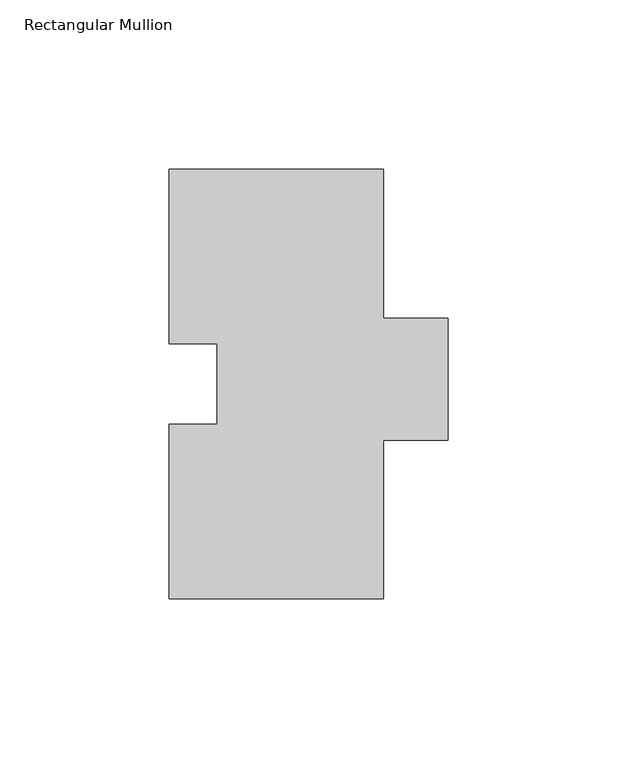
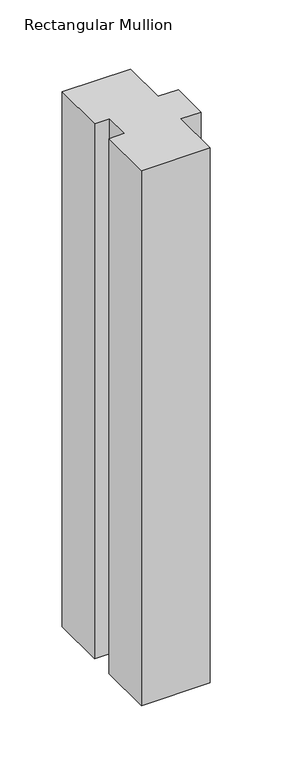
"""IFC4 building model written with IfcOpenShell, lengths in millimetres: member geometry, Rectangular Mullion."""

from ifc_helpers import new_model, si_unit, frame, origin, place, context, project, spatial, polyline, outline, extrude, source, transform, mapped, element, save


def rectangular_mullion_23f6b8ea(model_context):
    return source(origin(), model_context, "Body", "SweptSolid", [
        extrude(outline(polyline([(-17.4622287, 75.3999), (-31.7502713, 75.3999), (-31.7502713, 127.0), (31.7502713, 127.0), (31.7502713, 82.9250181), (50.8002713, 82.9250181), (50.8002713, 46.83125), (31.7497287, 46.83125), (31.7497287, 0.0), (-31.7497287, 0.0), (-31.7497287, 51.6001), (-17.4622287, 51.6001), (-17.4622287, 75.3999)])), frame((0.0, 0.0, -523.875), z_axis=(0.0, 0.0, 1.0), x_axis=(1.0, 0.0, 0.0)), (0.0, 0.0, 1.0), 523.875),
    ])


if __name__ == "__main__":
    model = new_model("IFC4")
    model_context = context("Model", 3, world=origin())
    ifc_project = project(units=[si_unit("LENGTHUNIT", "METRE", prefix="MILLI")], contexts=[model_context])
    site = spatial("IfcSite", under=ifc_project)
    building = spatial("IfcBuilding", under=site)
    placement = place(None, origin())
    rectangular_mullion_shape = rectangular_mullion_23f6b8ea(model_context)
    element("IfcMember", 1, ObjectType="Rectangular Mullion", at=placement, inside=building, context=model_context, shape_type="MappedRepresentation", body=[
        mapped(rectangular_mullion_shape, transform((0.0, 0.0, 0.0), x_axis=(1.0, 0.0, 0.0), y_axis=(0.0, 1.0, 0.0), z_axis=(0.0, 0.0, 1.0))),
    ])
    save(model, "model.ifc")
